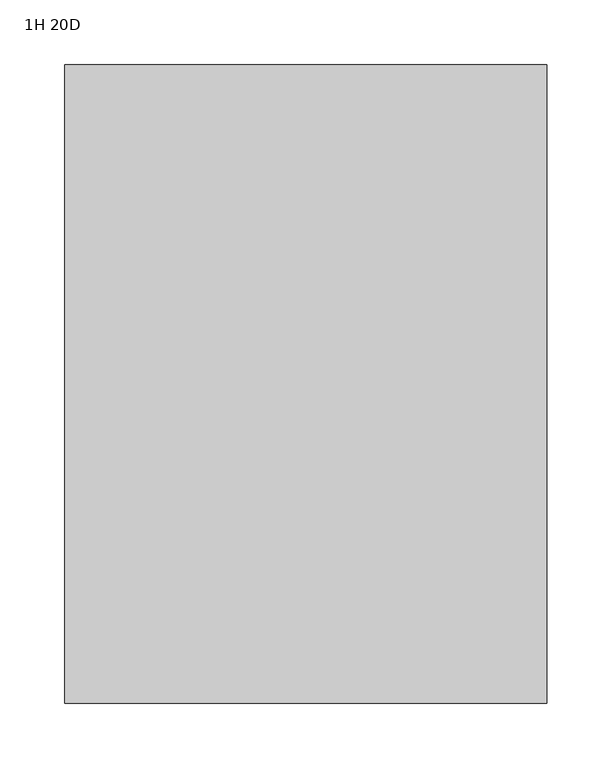
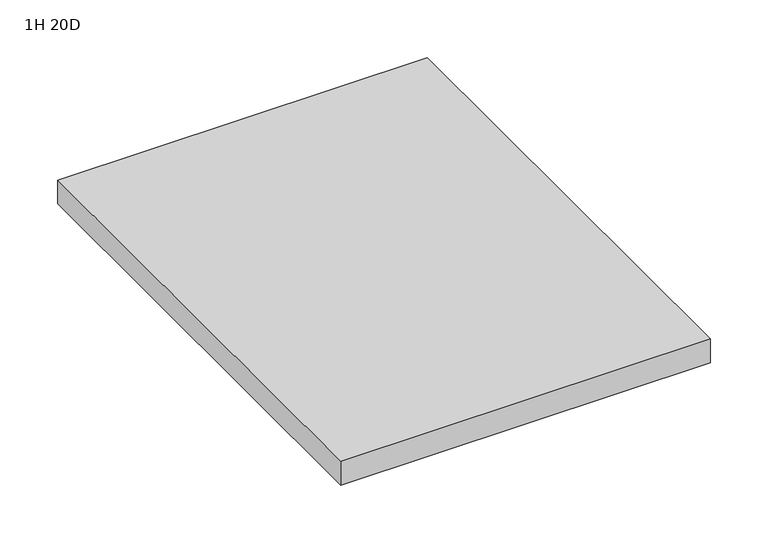
"""IFC4 building model written with IfcOpenShell, lengths in millimetres: furniture geometry, 1H 20D."""

from ifc_helpers import new_model, si_unit, frame, origin, place, context, project, spatial, polyline, outline, extrude, source, transform, mapped, element, save


def furniture_1h_20d_3bdcb175(model_context):
    return source(origin(), model_context, "Body", "SweptSolid", [
        extrude(outline(polyline([(-288.925, 440.563), (-288.925, -51.562), (-660.4, -51.562), (-660.4, 440.563), (-288.925, 440.563)])), frame((0.0, 0.0, 542.29), z_axis=(0.0, 0.0, 1.0), x_axis=(1.0, 0.0, 0.0)), (0.0, 0.0, 1.0), 25.4),
    ])


if __name__ == "__main__":
    model = new_model("IFC4")
    model_context = context("Model", 3, world=origin())
    ifc_project = project(units=[si_unit("LENGTHUNIT", "METRE", prefix="MILLI")], contexts=[model_context])
    site = spatial("IfcSite", under=ifc_project)
    building = spatial("IfcBuilding", under=site)
    placement = place(None, origin())
    furniture_1h_20d_shape = furniture_1h_20d_3bdcb175(model_context)
    element("IfcFurniture", 1, ObjectType="1H 20D", at=placement, inside=building, context=model_context, shape_type="MappedRepresentation", body=[
        mapped(furniture_1h_20d_shape, transform((0.0, 0.0, 0.0), x_axis=(1.0, 0.0, 0.0), y_axis=(0.0, 1.0, 0.0), z_axis=(0.0, 0.0, 1.0))),
    ])
    save(model, "model.ifc")
